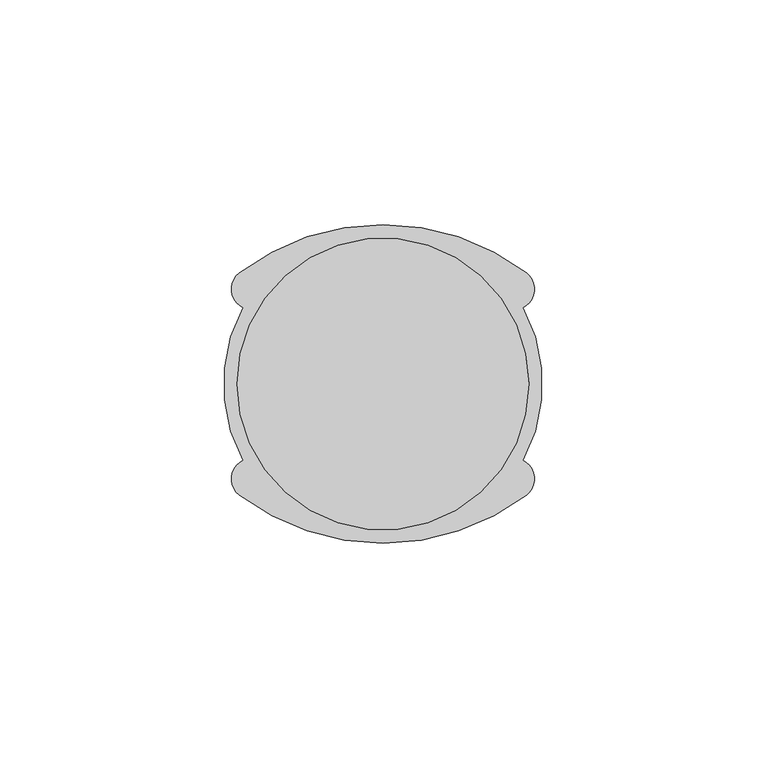
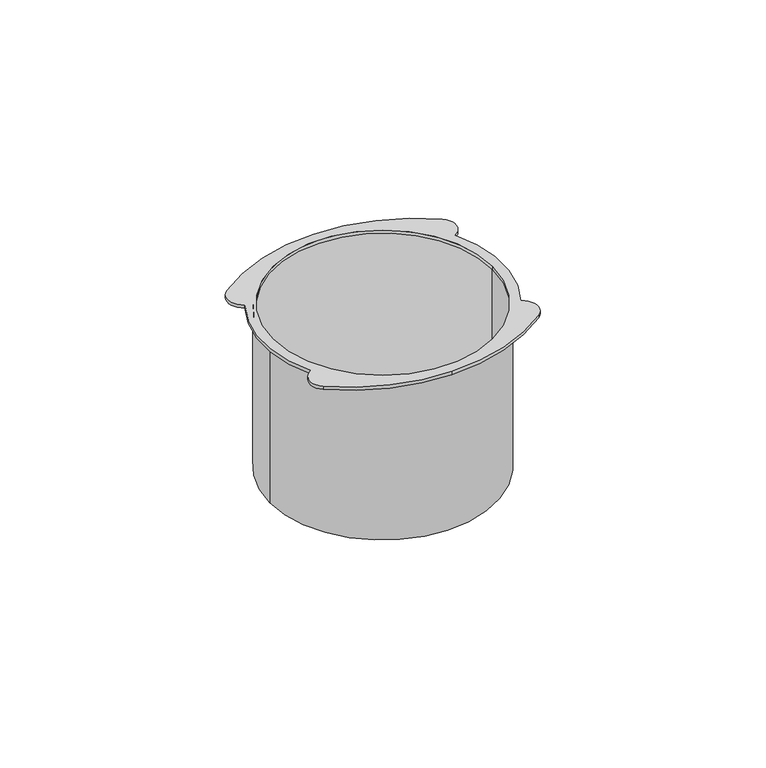
"""IFC4 building model written with IfcOpenShell, lengths in millimetres: proxy geometry."""

from ifc_helpers import new_model, si_unit, point, frame, origin, origin_with_axes, origin_2d, place, context, project, spatial, polyline, circle_curve, trimmed, segment, composite_curve, outline, extrude, source, transform, mapped, element, save
from ifc_brep_helpers import plane_surface, cylinder_surface, revolved_surface, advanced_brep


def electrical_fixtures_21b264a3(model_context):
    return source(origin(), model_context, "Body", "SolidModel", [
        advanced_brep(
        [(33.5, 0.0, -50.0), (-33.5, 0.0, -50.0), (32.5, 0.0, -50.0), (-32.5, 0.0, -50.0), (-32.5, 0.0, 0.0), (32.5, 0.0, 0.0), (-33.5, 0.0, 0.0), (33.5, 0.0, 0.0), (-31.1606782, -17.007708, 1.0), (-31.9859514, -24.7231662, 1.0), (0.0, -35.5, 1.0), (31.9859514, -24.7231662, 1.0), (31.1606782, -17.007708, 1.0), (31.1606782, 17.007708, 1.0), (31.9859514, 24.7231662, 1.0), (0.0, 35.5, 1.0), (-31.9859514, 24.7231662, 1.0), (-31.1606782, 17.007708, 1.0), (-32.5, 0.0, 1.0), (32.5, 0.0, 1.0), (-31.1606782, -17.007708, 0.0), (-31.1606782, 17.007708, 0.0), (-31.9859514, 24.7231662, 0.0), (0.0, 35.5, 0.0), (31.9859514, 24.7231662, 0.0), (31.1606782, 17.007708, 0.0), (31.1606782, -17.007708, 0.0), (31.9859514, -24.7231662, 0.0), (0.0, -35.5, 0.0), (-31.9859514, -24.7231662, 0.0)],
        [
            (0, 1, circle_curve(frame((0.0, 0.0, -50.0), z_axis=(0.0, 0.0, -1.0), x_axis=(1.0, 0.0, 0.0)), 33.5)),
            (1, 0, circle_curve(frame((0.0, 0.0, -50.0), z_axis=(0.0, 0.0, -1.0), x_axis=(1.0, 0.0, 0.0)), 33.5)),
            (2, 3, circle_curve(frame((0.0, 0.0, -50.0), z_axis=(0.0, 0.0, 1.0), x_axis=(1.0, 0.0, 0.0)), 32.5)),
            (3, 2, circle_curve(frame((0.0, 0.0, -50.0), z_axis=(0.0, 0.0, 1.0), x_axis=(1.0, 0.0, 0.0)), 32.5)),
            (3, 4),
            (4, 5, circle_curve(origin_with_axes(), 32.5)),
            (5, 2),
            (5, 4, circle_curve(origin_with_axes(), 32.5)),
            (1, 6),
            (6, 7, circle_curve(frame((0.0, 0.0, 0.0), z_axis=(0.0, 0.0, -1.0), x_axis=(1.0, 0.0, 0.0)), 33.5)),
            (7, 0),
            (7, 6, circle_curve(frame((0.0, 0.0, 0.0), z_axis=(0.0, 0.0, -1.0), x_axis=(1.0, 0.0, 0.0)), 33.5)),
            (8, 9, circle_curve(frame((-29.2430182, -21.114694, 1.0), z_axis=(0.0, 0.0, 1.0), x_axis=(1.0, 0.0, 0.0)), 4.5326321)),
            (9, 10, circle_curve(frame((0.0, 17.356027, 1.0), z_axis=(0.0, 0.0, 1.0), x_axis=(1.0, 0.0, 0.0)), 52.856027)),
            (10, 11, circle_curve(frame((0.0, 17.356027, 1.0), z_axis=(0.0, 0.0, 1.0), x_axis=(-1.0, 0.0, 0.0)), 52.856027)),
            (11, 12, circle_curve(frame((29.2430182, -21.114694, 1.0), z_axis=(0.0, 0.0, 1.0), x_axis=(-1.0, 0.0, 0.0)), 4.5326321)),
            (12, 13, circle_curve(frame((0.0, 0.0, 1.0), z_axis=(0.0, 0.0, 1.0), x_axis=(1.0, 0.0, 0.0)), 35.5)),
            (13, 14, circle_curve(frame((29.2430182, 21.114694, 1.0), z_axis=(0.0, 0.0, 1.0), x_axis=(-1.0, 0.0, 0.0)), 4.5326321)),
            (14, 15, circle_curve(frame((0.0, -17.356027, 1.0), z_axis=(0.0, 0.0, 1.0), x_axis=(-1.0, 0.0, 0.0)), 52.856027)),
            (15, 16, circle_curve(frame((0.0, -17.356027, 1.0), z_axis=(0.0, 0.0, 1.0), x_axis=(1.0, 0.0, 0.0)), 52.856027)),
            (16, 17, circle_curve(frame((-29.2430182, 21.114694, 1.0), z_axis=(0.0, 0.0, 1.0), x_axis=(1.0, 0.0, 0.0)), 4.5326321)),
            (17, 8, circle_curve(frame((0.0, 0.0, 1.0), z_axis=(0.0, 0.0, 1.0), x_axis=(1.0, 0.0, 0.0)), 35.5)),
            (18, 19, circle_curve(frame((0.0, 0.0, 1.0), z_axis=(0.0, 0.0, -1.0), x_axis=(1.0, 0.0, 0.0)), 32.5)),
            (19, 18, circle_curve(frame((0.0, 0.0, 1.0), z_axis=(0.0, 0.0, -1.0), x_axis=(1.0, 0.0, 0.0)), 32.5)),
            (20, 21, circle_curve(frame((0.0, 0.0, 0.0), z_axis=(0.0, 0.0, -1.0), x_axis=(1.0, 0.0, 0.0)), 35.5)),
            (21, 22, circle_curve(frame((-29.2430182, 21.114694, 0.0), z_axis=(0.0, 0.0, -1.0), x_axis=(1.0, 0.0, 0.0)), 4.5326321)),
            (22, 23, circle_curve(frame((0.0, -17.356027, 0.0), z_axis=(0.0, 0.0, -1.0), x_axis=(1.0, 0.0, 0.0)), 52.856027)),
            (23, 24, circle_curve(frame((0.0, -17.356027, 0.0), z_axis=(0.0, 0.0, -1.0), x_axis=(-1.0, 0.0, 0.0)), 52.856027)),
            (24, 25, circle_curve(frame((29.2430182, 21.114694, 0.0), z_axis=(0.0, 0.0, -1.0), x_axis=(-1.0, 0.0, 0.0)), 4.5326321)),
            (25, 26, circle_curve(frame((0.0, 0.0, 0.0), z_axis=(0.0, 0.0, -1.0), x_axis=(1.0, 0.0, 0.0)), 35.5)),
            (26, 27, circle_curve(frame((29.2430182, -21.114694, 0.0), z_axis=(0.0, 0.0, -1.0), x_axis=(-1.0, 0.0, 0.0)), 4.5326321)),
            (27, 28, circle_curve(frame((0.0, 17.356027, 0.0), z_axis=(0.0, 0.0, -1.0), x_axis=(-1.0, 0.0, 0.0)), 52.856027)),
            (28, 29, circle_curve(frame((0.0, 17.356027, 0.0), z_axis=(0.0, 0.0, -1.0), x_axis=(1.0, 0.0, 0.0)), 52.856027)),
            (29, 20, circle_curve(frame((-29.2430182, -21.114694, 0.0), z_axis=(0.0, 0.0, -1.0), x_axis=(1.0, 0.0, 0.0)), 4.5326321)),
            (12, 26),
            (25, 13),
            (17, 21),
            (20, 8),
            (18, 4),
            (5, 19),
            (29, 9),
            (28, 10),
            (27, 11),
            (24, 14),
            (23, 15),
            (22, 16),
        ],
        [
            plane_surface(frame((32.5, 0.0, -50.0), z_axis=(0.0, 0.0, -1.0), x_axis=(0.0, 1.0, 0.0))),
            revolved_surface(polyline([(32.5, 0.0, -50.0), (32.5, 0.0, 0.0)]), (0.0, 0.0, -50.0), (0.0, 0.0, -1.0)),
            cylinder_surface(origin_with_axes(), 33.5),
            plane_surface(frame((32.5, 0.0, 1.0), z_axis=(0.0, 0.0, 1.0), x_axis=(0.0, -1.0, 0.0))),
            plane_surface(frame((32.5, 0.0, 0.0), z_axis=(0.0, 0.0, -1.0), x_axis=(0.0, 1.0, 0.0))),
            cylinder_surface(origin_with_axes(), 35.5),
            revolved_surface(polyline([(32.5, 0.0, 0.0), (32.5, 0.0, 1.0)]), (0.0, 0.0, 0.0), (0.0, 0.0, -1.0)),
            cylinder_surface(frame((-29.2430182, -21.114694, 0.0), z_axis=(0.0, 0.0, 1.0), x_axis=(1.0, 0.0, 0.0)), 4.5326321),
            cylinder_surface(frame((0.0, 17.356027, 0.0), z_axis=(0.0, 0.0, 1.0), x_axis=(1.0, 0.0, 0.0)), 52.856027),
            cylinder_surface(frame((0.0, 17.356027, 0.0), z_axis=(0.0, 0.0, 1.0), x_axis=(-1.0, 0.0, 0.0)), 52.856027),
            cylinder_surface(frame((29.2430182, -21.114694, 0.0), z_axis=(0.0, 0.0, 1.0), x_axis=(-1.0, 0.0, 0.0)), 4.5326321),
            cylinder_surface(frame((29.2430182, 21.114694, 0.0), z_axis=(0.0, 0.0, 1.0), x_axis=(-1.0, 0.0, 0.0)), 4.5326321),
            cylinder_surface(frame((0.0, -17.356027, 0.0), z_axis=(0.0, 0.0, 1.0), x_axis=(-1.0, 0.0, 0.0)), 52.856027),
            cylinder_surface(frame((0.0, -17.356027, 0.0), z_axis=(0.0, 0.0, 1.0), x_axis=(1.0, 0.0, 0.0)), 52.856027),
            cylinder_surface(frame((-29.2430182, 21.114694, 0.0), z_axis=(0.0, 0.0, 1.0), x_axis=(1.0, 0.0, 0.0)), 4.5326321),
        ],
        [
            (0, [[1, 2], [3, 4]]),
            (1, [[-4, 5, 6, 7]]),
            (1, [[-3, -7, 8, -5]]),
            (2, [[-2, 9, 10, 11]]),
            (2, [[-1, -11, 12, -9]]),
            (3, [[13, 14, 15, 16, 17, 18, 19, 20, 21, 22], [23, 24]]),
            (4, [[25, 26, 27, 28, 29, 30, 31, 32, 33, 34], [-10, -12]]),
            (5, [[-17, 35, -30, 36]]),
            (5, [[-22, 37, -25, 38]]),
            (6, [[-23, 39, -8, 40]]),
            (6, [[-24, -40, -6, -39]]),
            (7, [[-13, -38, -34, 41]]),
            (8, [[-14, -41, -33, 42]]),
            (9, [[-15, -42, -32, 43]]),
            (10, [[-16, -43, -31, -35]]),
            (11, [[-18, -36, -29, 44]]),
            (12, [[-19, -44, -28, 45]]),
            (13, [[-20, -45, -27, 46]]),
            (14, [[-21, -46, -26, -37]]),
        ],
    ),
        extrude(outline(composite_curve([segment(trimmed(circle_curve(origin_2d(), 32.5), [point((32.5, 0.0))], [point((-32.5, 0.0))], False, "CARTESIAN"), True, "CONTINUOUS"), segment(trimmed(circle_curve(origin_2d(), 32.5), [point((-32.5, 0.0))], [point((32.5, 0.0))], False, "CARTESIAN"), True, "CONTINUOUS")], self_intersect=False)), frame((0.0, 0.0, -50.0), z_axis=(0.0, 0.0, 1.0), x_axis=(1.0, 0.0, 0.0)), (0.0, 0.0, 1.0), 1.0),
    ])


if __name__ == "__main__":
    model = new_model("IFC4")
    model_context = context("Model", 3, world=origin())
    ifc_project = project(units=[si_unit("LENGTHUNIT", "METRE", prefix="MILLI")], contexts=[model_context])
    site = spatial("IfcSite", under=ifc_project)
    building = spatial("IfcBuilding", under=site)
    placement = place(None, origin())
    electrical_fixtures_shape = electrical_fixtures_21b264a3(model_context)
    element("IfcBuildingElementProxy", 1, Name="Electrical Fixtures", at=placement, inside=building, context=model_context, shape_type="MappedRepresentation", body=[
        mapped(electrical_fixtures_shape, transform((0.0, 0.0, 0.0), x_axis=(1.0, 0.0, 0.0), y_axis=(0.0, 1.0, 0.0), z_axis=(0.0, 0.0, 1.0))),
    ])
    save(model, "model.ifc")
